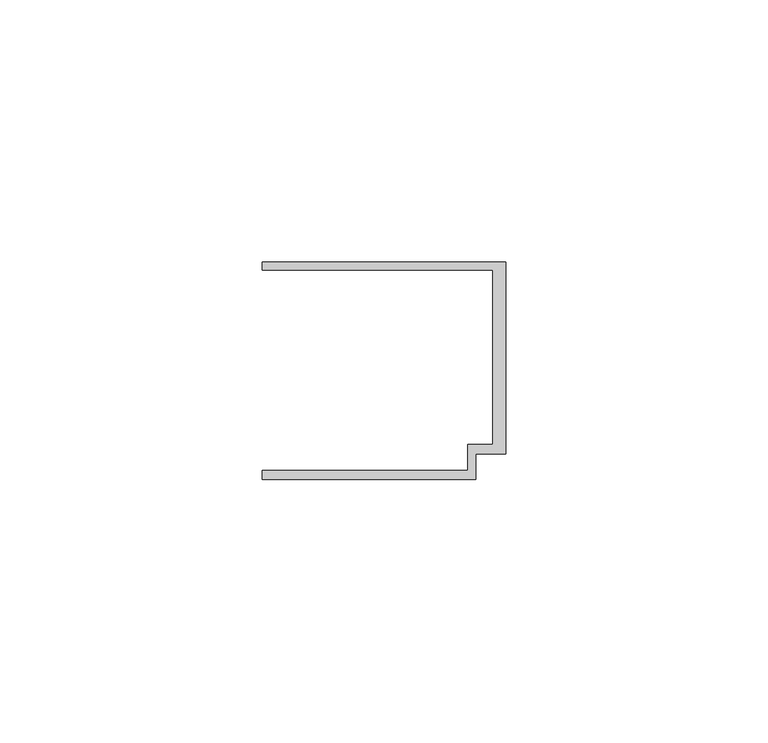
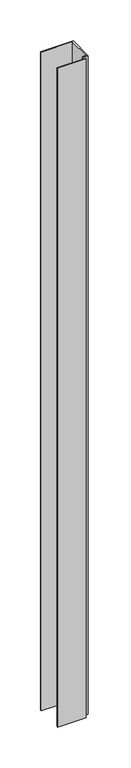
"""IFC4 building model written with IfcOpenShell, lengths in millimetres: member geometry."""

from ifc_helpers import new_model, si_unit, frame, origin, place, context, project, spatial, polyline, outline, extrude, source, transform, mapped, element, save


def member_1bcd5898(model_context):
    return source(origin(), model_context, "Body", "SweptSolid", [
        extrude(outline(polyline([(-46.3, 19.2), (-46.3, 20.7), (0.0, 20.7), (0.0, -15.8), (-5.6999992, -15.8), (-5.6999992, -20.7), (-46.3, -20.7), (-46.3, -19.0), (-7.2, -19.0), (-7.2, -14.0), (-2.4, -14.0), (-2.4, 19.2), (-46.3, 19.2)])), frame((0.0, 0.0, -984.9000012), z_axis=(0.0, 0.0, 1.0), x_axis=(1.0, 0.0, 0.0)), (0.0, 0.0, 1.0), 984.9000012),
    ])


if __name__ == "__main__":
    model = new_model("IFC4")
    model_context = context("Model", 3, world=origin())
    ifc_project = project(units=[si_unit("LENGTHUNIT", "METRE", prefix="MILLI")], contexts=[model_context])
    site = spatial("IfcSite", under=ifc_project)
    building = spatial("IfcBuilding", under=site)
    placement = place(None, origin())
    member_shape = member_1bcd5898(model_context)
    element("IfcMember", 1, at=placement, inside=building, context=model_context, shape_type="MappedRepresentation", body=[
        mapped(member_shape, transform((0.0, 0.0, 0.0), x_axis=(1.0, 0.0, 0.0), y_axis=(0.0, 1.0, 0.0), z_axis=(0.0, 0.0, 1.0))),
    ])
    save(model, "model.ifc")
